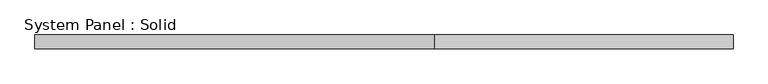
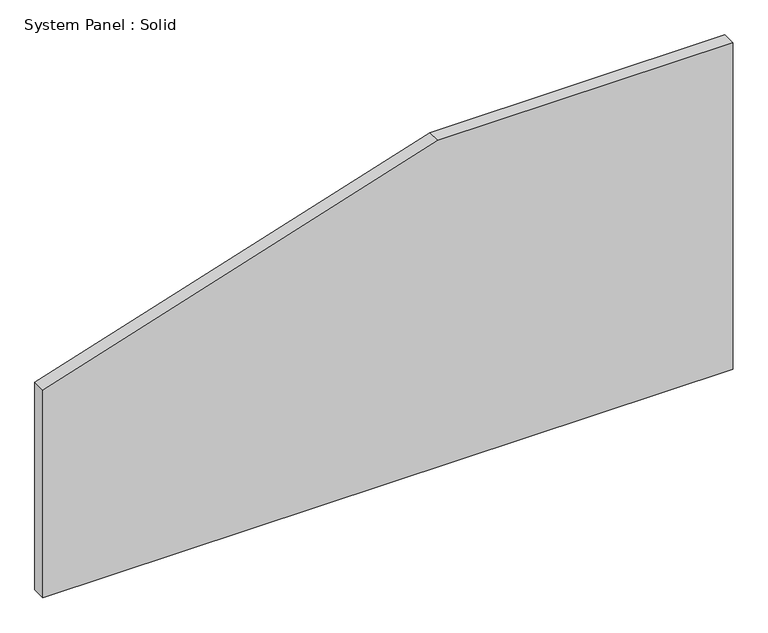
"""IFC4 building model written with IfcOpenShell, lengths in millimetres: plate geometry, System Panel : Solid."""

import ifcopenshell
import ifcopenshell.guid

model = None  # the IFC model being written
_history = None  # IfcOwnerHistory: only IFC2X3 demands one
_inside = {}  # id of a spatial element -> (the spatial element, [elements in it])
_under = {}  # id of a project, library or spatial element -> (it, [spatial elements below it])
_declared = {}  # id of a project -> (the project, [libraries it declares])
_typed = {}  # id of a type object -> (the type object, [elements of that type])
_made_of = {}  # id of a material, layer set ... -> (it, [elements and type objects made of it])


def new_model(schema):
    """Start an empty IFC model of exactly this schema.

    Asked for "IFC4X3", IfcOpenShell would pick the latest addendum, in which some entities
    have other attributes; the version numbers below select the first issue.
    IFC2X3 requires an IfcOwnerHistory on every rooted entity: one is made here for all.
    """
    global model, _history
    if schema == "IFC4X3":
        model = ifcopenshell.file(schema_version=(4, 3, 0, 0))
    else:
        model = ifcopenshell.file(schema=schema)
    _inside.clear()
    _under.clear()
    _declared.clear()
    _typed.clear()
    _made_of.clear()
    _history = None
    if model.schema == "IFC2X3":
        org = make("IfcOrganization", Name="unknown")
        user = make(
            "IfcPersonAndOrganization",
            ThePerson=make("IfcPerson", FamilyName="unknown"),
            TheOrganization=org,
        )
        app = make(
            "IfcApplication",
            ApplicationDeveloper=org,
            Version="unknown",
            ApplicationFullName="unknown",
            ApplicationIdentifier="unknown",
        )
        _history = make(
            "IfcOwnerHistory",
            OwningUser=user,
            OwningApplication=app,
            ChangeAction="ADDED",
            CreationDate=0,
        )
    return model


def make(cls, **values):
    """One entity of the class cls with the attributes given. An attribute that is None is left unset."""
    return model.create_entity(
        cls, **{name: value for name, value in values.items() if value is not None}
    )


def rooted(cls, **values):
    """An entity with a GlobalId (a new one), such as an element, a storey or a relation."""
    return make(cls, GlobalId=ifcopenshell.guid.new(), OwnerHistory=_history, **values)


def si_unit(unit_type, name, prefix=None):
    """IfcSIUnit, for example si_unit("LENGTHUNIT", "METRE", prefix="MILLI")."""
    return make("IfcSIUnit", UnitType=unit_type, Prefix=prefix, Name=name)


def assignment(units):
    """IfcUnitAssignment: the units of a project."""
    return None if units is None else make("IfcUnitAssignment", Units=units)


def point(xyz):
    """IfcCartesianPoint."""
    return None if xyz is None else make("IfcCartesianPoint", Coordinates=xyz)


def direction(xyz):
    """IfcDirection."""
    return None if xyz is None else make("IfcDirection", DirectionRatios=xyz)


def frame(location, z_axis=None, x_axis=None):
    """IfcAxis2Placement3D, a coordinate frame: its origin and axes. An axis left out is left unset."""
    return make(
        "IfcAxis2Placement3D",
        Location=point(location),
        Axis=direction(z_axis),
        RefDirection=direction(x_axis),
    )


def origin():
    """The frame at (0, 0, 0) with its axes left unset."""
    return frame((0.0, 0.0, 0.0))


def place(relative_to, where):
    """IfcLocalPlacement: puts the frame where relative to a parent placement (None: the world)."""
    return make(
        "IfcLocalPlacement", PlacementRelTo=relative_to, RelativePlacement=where
    )


def context(
    kind, dimensions, precision=None, world=None, true_north=None, identifier=None
):
    """IfcGeometricRepresentationContext, for example the 3D "Model" context."""
    return make(
        "IfcGeometricRepresentationContext",
        ContextIdentifier=identifier,
        ContextType=kind,
        CoordinateSpaceDimension=dimensions,
        Precision=precision,
        WorldCoordinateSystem=world,
        TrueNorth=true_north,
    )


def project(units=None, contexts=None):
    """IfcProject with its units and contexts."""
    return rooted(
        "IfcProject",
        Name="project",
        RepresentationContexts=contexts,
        UnitsInContext=assignment(units),
    )


def spatial(cls, under=None, at=None, **own):
    """A site, building, storey or space (cls), placed at a placement, below another one or the project."""
    s = rooted(cls, ObjectPlacement=at, **own)
    if under is not None:
        _under.setdefault(under.id(), (under, []))[1].append(s)
    return s


def polyline(points):
    """IfcPolyline through the points."""
    return make("IfcPolyline", Points=[point(p) for p in points])


def outline(outer, holes=None, kind="AREA"):
    """IfcArbitraryClosedProfileDef: a profile drawn as a closed curve; with holes, ...WithVoids."""
    if holes is None:
        return make("IfcArbitraryClosedProfileDef", ProfileType=kind, OuterCurve=outer)
    return make(
        "IfcArbitraryProfileDefWithVoids",
        ProfileType=kind,
        OuterCurve=outer,
        InnerCurves=holes,
    )


def extrude(swept, where, along, depth):
    """IfcExtrudedAreaSolid: the profile swept, set in the frame where, extruded along a direction by depth."""
    return make(
        "IfcExtrudedAreaSolid",
        SweptArea=swept,
        Position=where,
        ExtrudedDirection=direction(along),
        Depth=depth,
    )


def shape(context_of_items, identifier, shape_type, items):
    """IfcShapeRepresentation: the items that make up one representation, for example the "Body"."""
    return make(
        "IfcShapeRepresentation",
        ContextOfItems=context_of_items,
        RepresentationIdentifier=identifier,
        RepresentationType=shape_type,
        Items=items,
    )


def source(mapping_origin, context_of_items, identifier, shape_type, items):
    """IfcRepresentationMap: a shape defined once, which mapped items show again and again."""
    return make(
        "IfcRepresentationMap",
        MappingOrigin=mapping_origin,
        MappedRepresentation=shape(context_of_items, identifier, shape_type, items),
    )


def transform(
    local_origin,
    x_axis=None,
    y_axis=None,
    z_axis=None,
    scale=None,
    scale2=None,
    scale3=None,
    uniform=True,
):
    """IfcCartesianTransformationOperator3D, or its non-uniform kind. x_axis, y_axis, z_axis: its Axis1, 2, 3."""
    if uniform:
        return make(
            "IfcCartesianTransformationOperator3D",
            Axis1=direction(x_axis),
            Axis2=direction(y_axis),
            LocalOrigin=point(local_origin),
            Scale=scale,
            Axis3=direction(z_axis),
        )
    return make(
        "IfcCartesianTransformationOperator3DnonUniform",
        Axis1=direction(x_axis),
        Axis2=direction(y_axis),
        LocalOrigin=point(local_origin),
        Scale=scale,
        Axis3=direction(z_axis),
        Scale2=scale2,
        Scale3=scale3,
    )


def mapped(mapping_source, mapping_target):
    """IfcMappedItem: shows the shape of a source again, moved by a transform."""
    return make(
        "IfcMappedItem", MappingSource=mapping_source, MappingTarget=mapping_target
    )


def made_of(thing, what):
    """Note that an element or type object is made of a material, layer set ...; save() writes the relation."""
    if what is not None:
        _made_of.setdefault(what.id(), (what, []))[1].append(thing)
    return thing


def element(
    cls,
    number,
    at=None,
    inside=None,
    cuts=None,
    type_object=None,
    material=None,
    context=None,
    identifier="Body",
    shape_type=None,
    held_by="IfcProductDefinitionShape",
    body=None,
    shapes=None,
    **own,
):
    """One element of the class cls, such as IfcWall. Its Tag is "e" and its number.

    at: its placement. inside: the storey or other place that contains it. cuts: it is an
    opening in that element (IfcRelVoidsElement). A single representation is given by context,
    identifier, shape_type and body (its items); several are given by shapes. held_by: the class
    of the entity that holds the representations. save() writes the other relations.
    """
    e = rooted(cls, Tag="e%d" % number, ObjectPlacement=at, **own)
    if body is not None:
        shapes = [shape(context, identifier, shape_type, body)]
    if shapes is not None:
        e.Representation = make(held_by, Representations=shapes)
    if inside is not None:
        _inside.setdefault(inside.id(), (inside, []))[1].append(e)
    if cuts is not None:
        rooted(
            "IfcRelVoidsElement", RelatingBuildingElement=cuts, RelatedOpeningElement=e
        )
    if type_object is not None:
        _typed.setdefault(type_object.id(), (type_object, []))[1].append(e)
    return made_of(e, material)


def aggregate(whole, parts):
    """IfcRelAggregates: a whole, such as a stair, and the parts it consists of."""
    return rooted("IfcRelAggregates", RelatingObject=whole, RelatedObjects=parts)


def save(model, path):
    """Write the relations noted so far, then the file.

    IfcRelAggregates (storeys below a building ...), IfcRelContainedInSpatialStructure (elements
    in a storey), IfcRelDefinesByType, IfcRelAssociatesMaterial and IfcRelDeclares: one each for
    every whole, place, type object, material and project.
    """
    for whole, parts in _under.values():
        aggregate(whole, parts)
    for where, things in _inside.values():
        rooted(
            "IfcRelContainedInSpatialStructure",
            RelatedElements=things,
            RelatingStructure=where,
        )
    for kind, things in _typed.values():
        rooted("IfcRelDefinesByType", RelatedObjects=things, RelatingType=kind)
    for what, things in _made_of.values():
        rooted("IfcRelAssociatesMaterial", RelatedObjects=things, RelatingMaterial=what)
    for by, libraries in _declared.values():
        rooted("IfcRelDeclares", RelatingContext=by, RelatedDefinitions=libraries)
    model.write(path)


def system_panel_solid_f4b241d2(model_context):
    return source(origin(), model_context, "Body", "SweptSolid", [
        extrude(outline(polyline([(0.0, -1500.0), (0.0, 1500.0), (1500.0, 1500.0), (1500.0, 218.7556497), (953.6412424, -1500.0), (0.0, -1500.0)])), frame((0.0, -10.5, 0.0), z_axis=(0.0, 1.0, 0.0), x_axis=(0.0, 0.0, 1.0)), (0.0, 0.0, 1.0), 60.0),
    ])


if __name__ == "__main__":
    model = new_model("IFC4")
    model_context = context("Model", 3, world=origin())
    ifc_project = project(units=[si_unit("LENGTHUNIT", "METRE", prefix="MILLI")], contexts=[model_context])
    site = spatial("IfcSite", under=ifc_project)
    building = spatial("IfcBuilding", under=site)
    placement = place(None, origin())
    system_panel_solid_shape = system_panel_solid_f4b241d2(model_context)
    element("IfcPlate", 1, ObjectType="System Panel : Solid", at=placement, inside=building, context=model_context, shape_type="MappedRepresentation", body=[
        mapped(system_panel_solid_shape, transform((0.0, 0.0, 0.0), x_axis=(1.0, 0.0, 0.0), y_axis=(0.0, 1.0, 0.0), z_axis=(0.0, 0.0, 1.0))),
    ])
    save(model, "model.ifc")
